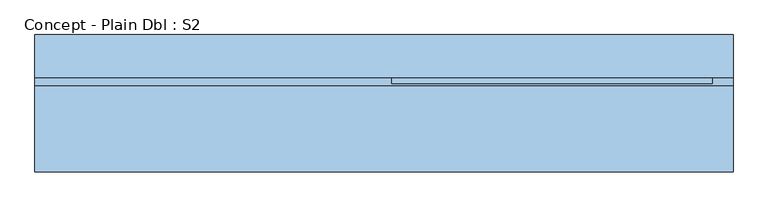
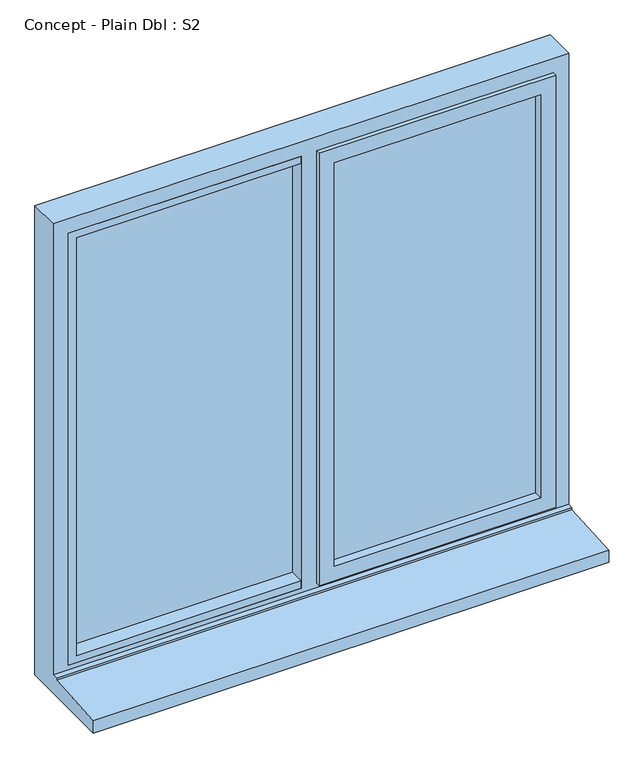
"""IFC4 building model written with IfcOpenShell, lengths in millimetres: window geometry, Concept - Plain Dbl : S2."""

from ifc_helpers import new_model, si_unit, frame, origin, place, context, project, spatial, polyline, outline, extrude, faceted_brep, source, transform, mapped, element, save


def concept_plain_dbl_s2_8128b53c(model_context):
    return source(origin(), model_context, "Body", "SolidModel", [
        extrude(outline(polyline([(320.0, 22.5434322), (320.0, -1.4565678), (-240.0, -1.4565678), (-240.0, 22.5434322), (320.0, 22.5434322)])), frame((0.0, 0.0, 903.0), z_axis=(0.0, 0.0, 1.0), x_axis=(1.0, 0.0, 0.0)), (0.0, 0.0, 1.0), 1137.0),
        extrude(outline(polyline([(-920.0, 27.5434322), (-920.0, 51.5434322), (-300.0, 51.5434322), (-300.0, 27.5434322), (-920.0, 27.5434322)])), frame((0.0, 0.0, 873.0), z_axis=(0.0, 0.0, 1.0), x_axis=(1.0, 0.0, 0.0)), (0.0, 0.0, 1.0), 1197.0),
        faceted_brep([(390.0, 69.5434322, 2110.0), (390.0, 69.5434322, 810.0), (-960.0, 69.5434322, 810.0), (-960.0, 69.5434322, 2110.0), (330.0, 69.5434322, 2050.0), (-252.0, 69.5434322, 2050.0), (-252.0, 69.5434322, 885.0), (330.0, 69.5434322, 885.0), (-310.0, 69.5434322, 2050.0), (-900.0, 69.5434322, 2050.0), (-900.0, 69.5434322, 885.0), (-310.0, 69.5434322, 885.0), (-960.0, -195.9565678, 810.0), (-960.0, -195.9565678, 843.8088847), (-960.0, -28.4565678, 854.7449676), (-960.0, -28.4565678, 859.68767), (-960.0, -13.4565678, 861.0), (-960.0, -13.4565678, 2110.0), (390.0, -13.4565678, 861.0), (390.0, -13.4565678, 2110.0), (-920.0, -13.4565678, 2070.0), (-310.0, -13.4565678, 2070.0), (-310.0, -13.4565678, 873.0), (-920.0, -13.4565678, 873.0), (-270.0, -13.4565678, 2070.0), (350.0, -13.4565678, 2070.0), (350.0, -13.4565678, 873.0), (-270.0, -13.4565678, 873.0), (-920.0, 51.5434322, 873.0), (-920.0, 51.5434322, 2070.0), (-300.0, 51.5434322, 873.0), (-300.0, 51.5434322, 2070.0), (-310.0, 51.5434322, 2050.0), (-310.0, 51.5434322, 885.0), (-900.0, 51.5434322, 885.0), (-900.0, 51.5434322, 2050.0), (-270.0, 51.5434322, 2070.0), (-270.0, 51.5434322, 873.0), (350.0, 51.5434322, 873.0), (350.0, 51.5434322, 2070.0), (330.0, 51.5434322, 2050.0), (330.0, 51.5434322, 885.0), (-252.0, 51.5434322, 885.0), (-252.0, 51.5434322, 2050.0), (-300.0, 27.5434322, 2070.0), (-310.0, 27.5434322, 2070.0), (390.0, -28.4565678, 859.68767), (390.0, -28.4565678, 854.7449676), (390.0, -195.9565678, 843.8088847), (390.0, -195.9565678, 810.0), (-300.0, 27.5434322, 873.0), (-310.0, 27.5434322, 873.0)], [[[0, 1, 2, 3], [4, 5, 6, 7], [8, 9, 10, 11]], [[2, 12, 13, 14, 15, 16, 17, 3]], [[16, 18, 19, 17], [20, 21, 22, 23], [24, 25, 26, 27]], [[23, 28, 29, 20]], [[29, 28, 30, 31], [32, 33, 34, 35]], [[36, 37, 38, 39], [40, 41, 42, 43]], [[35, 34, 10, 9]], [[3, 17, 19, 0]], [[29, 31, 44, 45, 21, 20]], [[25, 24, 36, 39]], [[9, 8, 32, 35]], [[40, 43, 5, 4]], [[18, 46, 47, 48, 49, 1, 0, 19]], [[25, 39, 38, 26]], [[4, 7, 41, 40]], [[44, 31, 30, 50]], [[50, 51, 45, 44]], [[51, 22, 21, 45]], [[27, 37, 36, 24]], [[43, 42, 6, 5]], [[8, 11, 33, 32]], [[49, 12, 2, 1]], [[48, 13, 12, 49]], [[47, 14, 13, 48]], [[46, 15, 14, 47]], [[18, 16, 15, 46]], [[22, 51, 50, 30, 28, 23]], [[26, 38, 37, 27]], [[6, 42, 41, 7]], [[33, 11, 10, 34]]]),
        extrude(outline(polyline([(2070.0, -310.0), (2070.0, -920.0), (873.0, -920.0), (873.0, -310.0), (893.0, -310.0), (893.0, -900.0), (2050.0, -900.0), (2050.0, -310.0), (2070.0, -310.0)])), frame((0.0, -13.4565678, 0.0), z_axis=(0.0, 1.0, 0.0), x_axis=(0.0, 0.0, 1.0)), (0.0, 0.0, 1.0), 41.0),
        faceted_brep([(-270.0, 51.5434322, 2070.0), (-270.0, 51.5434322, 873.0), (-270.0, -25.0035732, 873.0), (-270.0, -25.0035732, 2070.0), (-230.0, 22.5434322, 2030.0), (-230.0, 22.5434322, 913.0), (-230.0, 51.5434322, 913.0), (-230.0, 51.5434322, 2030.0), (-240.0, -1.4565678, 2040.0), (-240.0, -1.4565678, 903.0), (-240.0, 22.5434322, 903.0), (-240.0, 22.5434322, 2040.0), (-230.0, -25.0035732, 2030.0), (-230.0, -25.0035732, 913.0), (-230.0, -1.4565678, 913.0), (-230.0, -1.4565678, 2030.0), (350.0, 51.5434322, 873.0), (350.0, -25.0035732, 873.0), (310.0, 22.5434322, 913.0), (310.0, 51.5434322, 913.0), (320.0, -1.4565678, 903.0), (320.0, 22.5434322, 903.0), (310.0, -25.0035732, 913.0), (310.0, -1.4565678, 913.0), (350.0, 51.5434322, 2070.0), (350.0, -25.0035732, 2070.0), (310.0, 22.5434322, 2030.0), (310.0, 51.5434322, 2030.0), (320.0, -1.4565678, 2040.0), (320.0, 22.5434322, 2040.0), (310.0, -25.0035732, 2030.0), (310.0, -1.4565678, 2030.0)], [[[0, 1, 2, 3]], [[4, 5, 6, 7]], [[8, 9, 10, 11]], [[12, 13, 14, 15]], [[1, 16, 17, 2]], [[5, 18, 19, 6]], [[9, 20, 21, 10]], [[13, 22, 23, 14]], [[16, 24, 25, 17]], [[18, 26, 27, 19]], [[20, 28, 29, 21]], [[22, 30, 31, 23]], [[3, 2, 17, 25], [13, 12, 30, 22]], [[24, 0, 3, 25]], [[1, 0, 24, 16], [7, 6, 19, 27]], [[26, 4, 7, 27]], [[11, 10, 21, 29], [5, 4, 26, 18]], [[28, 8, 11, 29]], [[9, 8, 28, 20], [15, 14, 23, 31]], [[30, 12, 15, 31]]]),
    ])


if __name__ == "__main__":
    model = new_model("IFC4")
    model_context = context("Model", 3, world=origin())
    ifc_project = project(units=[si_unit("LENGTHUNIT", "METRE", prefix="MILLI")], contexts=[model_context])
    site = spatial("IfcSite", under=ifc_project)
    building = spatial("IfcBuilding", under=site)
    placement = place(None, origin())
    concept_plain_dbl_s2_shape = concept_plain_dbl_s2_8128b53c(model_context)
    element("IfcWindow", 1, ObjectType="Concept - Plain Dbl : S2", at=placement, inside=building, context=model_context, shape_type="MappedRepresentation", body=[
        mapped(concept_plain_dbl_s2_shape, transform((0.0, 0.0, 0.0), x_axis=(1.0, 0.0, 0.0), y_axis=(0.0, 1.0, 0.0), z_axis=(0.0, 0.0, 1.0))),
    ])
    save(model, "model.ifc")
